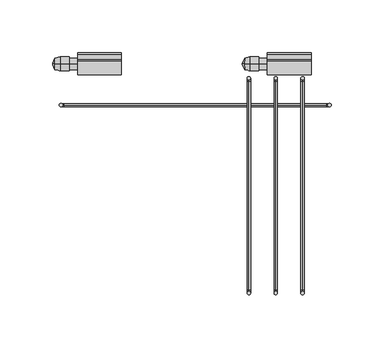
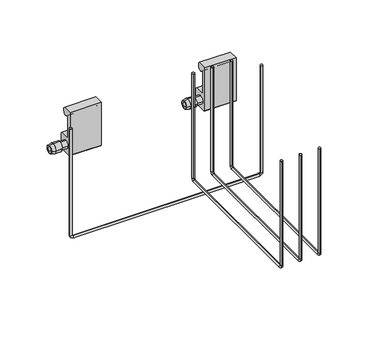
"""IFC4 building model written with IfcOpenShell, lengths in millimetres: furniture geometry."""

from ifc_helpers import new_model, si_unit, point, frame, origin, place, context, project, spatial, polyline, circle_curve, ellipse_curve, trimmed, source, transform, mapped, element, save
from ifc_brep_helpers import plane_surface, cylinder_surface, revolved_surface, advanced_brep


def furniture_f33feaf7(model_context):
    return source(origin(), model_context, "Body", "AdvancedBrep", [
        advanced_brep(
        [(128.5875, 34.9976276, 1207.8866133), (125.4125, 34.9976276, 1207.8866133), (-128.5875, 34.9976276, 1207.8866133), (-125.4125, 34.9976276, 1207.8866133), (128.5875, 34.9976276, 1057.8937167), (125.4125, 34.9976276, 1057.8937167), (123.825, 34.9976276, 1056.3062167), (123.825, 34.9976276, 1053.1312167), (-123.825, 34.9976276, 1053.1312167), (-123.825, 34.9976276, 1056.3062167), (-125.4125, 34.9976276, 1057.8937167), (-128.5875, 34.9976276, 1057.8937167)],
        [
            (0, 1, circle_curve(frame((127.0, 34.9976276, 1207.8866133), z_axis=(0.0, 0.0, 1.0), x_axis=(0.0, 1.0, 0.0)), 1.5875)),
            (1, 0, circle_curve(frame((127.0, 34.9976276, 1207.8866133), z_axis=(0.0, 0.0, 1.0), x_axis=(0.0, 1.0, 0.0)), 1.5875)),
            (2, 3, circle_curve(frame((-127.0, 34.9976276, 1207.8866133), z_axis=(0.0, 0.0, 1.0), x_axis=(0.0, 1.0, 0.0)), 1.5875)),
            (3, 2, circle_curve(frame((-127.0, 34.9976276, 1207.8866133), z_axis=(0.0, 0.0, 1.0), x_axis=(0.0, 1.0, 0.0)), 1.5875)),
            (0, 4),
            (4, 5, circle_curve(frame((127.0, 34.9976276, 1057.8937167), z_axis=(0.0, 0.0, 1.0), x_axis=(0.0, 1.0, 0.0)), 1.5875)),
            (5, 1),
            (5, 4, circle_curve(frame((127.0, 34.9976276, 1057.8937167), z_axis=(0.0, 0.0, 1.0), x_axis=(0.0, 1.0, 0.0)), 1.5875)),
            (6, 7, circle_curve(frame((123.825, 34.9976276, 1054.7187167), z_axis=(-1.0, 0.0, 0.0), x_axis=(0.0, 1.0, 0.0)), 1.5875)),
            (7, 8),
            (8, 9, circle_curve(frame((-123.825, 34.9976276, 1054.7187167), z_axis=(1.0, 0.0, 0.0), x_axis=(0.0, 1.0, 0.0)), 1.5875)),
            (9, 6),
            (7, 6, circle_curve(frame((123.825, 34.9976276, 1054.7187167), z_axis=(-1.0, 0.0, 0.0), x_axis=(0.0, 1.0, 0.0)), 1.5875)),
            (9, 8, circle_curve(frame((-123.825, 34.9976276, 1054.7187167), z_axis=(1.0, 0.0, 0.0), x_axis=(0.0, 1.0, 0.0)), 1.5875)),
            (10, 11, circle_curve(frame((-127.0, 34.9976276, 1057.8937167), z_axis=(0.0, 0.0, 1.0), x_axis=(0.0, 1.0, 0.0)), 1.5875)),
            (11, 2),
            (3, 10),
            (11, 10, circle_curve(frame((-127.0, 34.9976276, 1057.8937167), z_axis=(0.0, 0.0, 1.0), x_axis=(0.0, 1.0, 0.0)), 1.5875)),
            (6, 5, circle_curve(frame((123.825, 34.9976276, 1057.8937167), z_axis=(0.0, -1.0, 0.0), x_axis=(1.0, 0.0, 0.0)), 1.5875)),
            (4, 7, circle_curve(frame((123.825, 34.9976276, 1057.8937167), z_axis=(0.0, 1.0, 0.0), x_axis=(1.0, 0.0, 0.0)), 4.7625)),
            (10, 9, circle_curve(frame((-123.825, 34.9976276, 1057.8937167), z_axis=(0.0, -1.0, 0.0), x_axis=(0.0, 0.0, -1.0)), 1.5875)),
            (8, 11, circle_curve(frame((-123.825, 34.9976276, 1057.8937167), z_axis=(0.0, 1.0, 0.0), x_axis=(0.0, 0.0, -1.0)), 4.7625)),
        ],
        [
            plane_surface(frame((128.5875, 34.9976276, 1207.8866133), z_axis=(0.0, 0.0, 1.0), x_axis=(0.0, 1.0, 0.0))),
            plane_surface(frame((-128.5875, 34.9976276, 1207.8866133), z_axis=(0.0, 0.0, 1.0), x_axis=(0.0, 1.0, 0.0))),
            cylinder_surface(frame((127.0, 34.9976276, 1207.8866133), z_axis=(0.0, 0.0, 1.0), x_axis=(0.0, 1.0, 0.0)), 1.5875),
            cylinder_surface(frame((123.825, 34.9976276, 1054.7187167), z_axis=(1.0, 0.0, 0.0), x_axis=(0.0, 1.0, 0.0)), 1.5875),
            cylinder_surface(frame((-127.0, 34.9976276, 1057.8937167), z_axis=(0.0, 0.0, -1.0), x_axis=(0.0, 1.0, 0.0)), 1.5875),
            revolved_surface(trimmed(ellipse_curve(frame((127.0, 34.9976276, 1057.8937167), z_axis=(0.0, 0.0, 1.0), x_axis=(0.0, 1.0, 0.0)), 1.5875, 1.5875), [point((128.5875, 34.9976276, 1057.8937167))], [point((125.4125, 34.9976276, 1057.8937167))], True, "CARTESIAN"), (123.825, 34.9976276, 1057.8937167), (0.0, 1.0, 0.0)),
            revolved_surface(trimmed(ellipse_curve(frame((127.0, 34.9976276, 1057.8937167), z_axis=(0.0, 0.0, 1.0), x_axis=(0.0, 1.0, 0.0)), 1.5875, 1.5875), [point((125.4125, 34.9976276, 1057.8937167))], [point((128.5875, 34.9976276, 1057.8937167))], True, "CARTESIAN"), (123.825, 34.9976276, 1057.8937167), (0.0, 1.0, 0.0)),
            revolved_surface(trimmed(ellipse_curve(frame((-123.825, 34.9976276, 1054.7187167), z_axis=(1.0, 0.0, 0.0), x_axis=(0.0, 1.0, 0.0)), 1.5875, 1.5875), [point((-123.825, 34.9976276, 1053.1312167))], [point((-123.825, 34.9976276, 1056.3062167))], True, "CARTESIAN"), (-123.825, 34.9976276, 1057.8937167), (0.0, 1.0, 0.0)),
            revolved_surface(trimmed(ellipse_curve(frame((-123.825, 34.9976276, 1054.7187167), z_axis=(1.0, 0.0, 0.0), x_axis=(0.0, 1.0, 0.0)), 1.5875, 1.5875), [point((-123.825, 34.9976276, 1056.3062167))], [point((-123.825, 34.9976276, 1053.1312167))], True, "CARTESIAN"), (-123.825, 34.9976276, 1057.8937167), (0.0, 1.0, 0.0)),
        ],
        [
            (0, [[1, 2]]),
            (1, [[3, 4]]),
            (2, [[-1, 5, 6, 7]]),
            (2, [[-2, -7, 8, -5]]),
            (3, [[9, 10, 11, 12]]),
            (3, [[13, -12, 14, -10]]),
            (4, [[15, 16, -4, 17]]),
            (4, [[18, -17, -3, -16]]),
            (5, [[19, -6, 20, -9]]),
            (6, [[-20, -8, -19, -13]]),
            (7, [[21, -11, 22, -15]]),
            (8, [[-22, -14, -21, -18]]),
        ],
    ),
        advanced_brep(
        [(46.6372177, 68.7415276, 1156.4636635), (46.6372177, 74.1009276, 1161.8230635), (46.6372177, 79.4603276, 1156.4636635), (46.6372177, 74.1009276, 1151.1042635), (51.4497374, 67.5731276, 1156.4636635), (51.4497374, 74.1009276, 1149.9358635), (51.4497374, 80.6287276, 1156.4636635), (51.4497374, 74.1009276, 1162.9914635)],
        [
            (0, 1, circle_curve(frame((46.6372177, 74.1009276, 1156.4636635), z_axis=(-1.0, 0.0, 2.7282514933681294e-12), x_axis=(0.0, -1.0, 7.1826602636639224e-12)), 5.3594)),
            (1, 2, circle_curve(frame((46.6372177, 74.1009276, 1156.4636635), z_axis=(-1.0, -2.740556751392341e-12, 0.0), x_axis=(0.0, -7.421599566788139e-12, 1.0)), 5.3594)),
            (2, 3, circle_curve(frame((46.6372177, 74.1009276, 1156.4636635), z_axis=(-1.0, 0.0, 1.6594519392651508e-12), x_axis=(0.0, 1.0, 2.0852884636433977e-12)), 5.3594)),
            (3, 0, circle_curve(frame((46.6372177, 74.1009276, 1156.4636635), z_axis=(-1.0, -1.64538878723748e-12, 0.0), x_axis=(0.0, -6.7409845821117245e-12, -1.0)), 5.3594)),
            (4, 5, circle_curve(frame((51.4497374, 74.1009276, 1156.4636635), z_axis=(1.0, 1.64538878723748e-12, 0.0), x_axis=(0.0, -6.7409845821117245e-12, -1.0)), 6.5278)),
            (5, 6, circle_curve(frame((51.4497374, 74.1009276, 1156.4636635), z_axis=(1.0, 0.0, -1.6594519392651508e-12), x_axis=(0.0, 1.0, 2.0852884636433977e-12)), 6.5278)),
            (6, 7, circle_curve(frame((51.4497374, 74.1009276, 1156.4636635), z_axis=(1.0, 2.740556751392341e-12, 0.0), x_axis=(0.0, -7.421599566788139e-12, 1.0)), 6.5278)),
            (7, 4, circle_curve(frame((51.4497374, 74.1009276, 1156.4636635), z_axis=(1.0, 0.0, -2.7282514933681294e-12), x_axis=(0.0, -1.0, 7.1826602636639224e-12)), 6.5278)),
            (4, 0),
            (3, 5),
            (2, 6),
            (1, 7),
        ],
        [
            plane_surface(frame((46.6372177, 74.1009276, 1156.4636635), z_axis=(-1.0, 0.0, 0.0), x_axis=(0.0, 0.0, -1.0))),
            plane_surface(frame((51.4497374, 74.1009276, 1156.4636635), z_axis=(1.0, 0.0, 0.0), x_axis=(0.0, 0.0, -1.0))),
            revolved_surface(polyline([(46.63721769999118, 74.1009276, 1151.1042635097324), (51.4497374, 74.1009276, 1149.9358635)]), (24.5623993, 74.1009276, 1156.4636635), (1.0, 1.64538878723748e-12, 0.0)),
            revolved_surface(polyline([(46.6372177, 79.46032759026977, 1156.4636635), (51.449737400010825, 80.62872760000263, 1156.4636635)]), (24.5623993, 74.1009276, 1156.4636635), (1.0, 0.0, -1.6594519392651508e-12)),
            revolved_surface(polyline([(46.6372177, 74.1009276, 1161.8230634902698), (51.44973740001789, 74.1009276, 1162.9914635000043)]), (24.5623993, 74.1009276, 1156.4636635), (1.0, 2.740556751392341e-12, 0.0)),
            revolved_surface(polyline([(46.63721769998538, 68.74152760973378, 1156.4636635), (51.4497374, 67.5731276, 1156.4636635)]), (24.5623993, 74.1009276, 1156.4636635), (1.0, 0.0, -2.7282514933681294e-12)),
        ],
        [
            (0, [[1, 2, 3, 4]]),
            (1, [[5, 6, 7, 8]]),
            (2, [[-5, 9, -4, 10]]),
            (3, [[-6, -10, -3, 11]]),
            (4, [[-7, -11, -2, 12]]),
            (5, [[-8, -12, -1, -9]]),
        ],
    ),
        advanced_brep(
        [(68.2624822, 84.5022276, 1146.7693582), (68.2624822, 82.9274288, 1145.19456), (68.2624822, 65.2744269, 1145.19456), (68.2624822, 63.6996276, 1146.7693582), (68.2624822, 63.6996276, 1207.04356), (68.2624822, 76.3932776, 1207.04356), (68.2624822, 77.9680776, 1205.4687595), (68.2624822, 77.9680776, 1200.7189601), (68.2624822, 70.700146, 1198.5339941), (68.2624822, 69.2558778, 1198.0998022), (68.2624822, 69.2558778, 1168.3653919), (68.2624822, 69.8511903, 1167.7700794), (68.2624822, 82.9274276, 1167.7700794), (68.2624822, 84.5022276, 1166.19528), (68.2624822, 68.7415276, 1156.4636635), (68.2624822, 74.1009276, 1151.1042635), (68.2624822, 79.4603276, 1156.4636635), (68.2624822, 74.1009276, 1161.8230635), (109.5374822, 84.5022276, 1146.7693582), (109.5374822, 84.5022276, 1166.19528), (109.5374822, 82.9274276, 1167.7700794), (109.5374822, 69.8511903, 1167.7700794), (109.5374822, 69.2558778, 1168.3653919), (109.5374822, 69.2558778, 1198.0998022), (109.5374822, 70.700146, 1198.5339941), (109.5374822, 77.9680776, 1200.7189601), (109.5374822, 77.9680776, 1205.4687595), (109.5374822, 76.3932776, 1207.04356), (109.5374822, 63.6996276, 1207.04356), (109.5374822, 63.6996276, 1146.7693582), (109.5374822, 65.2744269, 1145.19456), (109.5374822, 82.9274288, 1145.19456), (60.2002207, 68.7415276, 1156.4636635), (60.2002207, 74.1009276, 1151.1042635), (60.2002207, 79.4603276, 1156.4636635), (60.2002207, 74.1009276, 1161.8230635), (60.2002207, 67.5731276, 1156.4636635), (60.2002207, 74.1009276, 1149.9358635), (60.2002207, 80.6287276, 1156.4636635), (60.2002207, 74.1009276, 1162.9914635), (51.4497374, 67.5731276, 1156.4636635), (51.4497374, 74.1009276, 1162.9914635), (51.4497374, 80.6287276, 1156.4636635), (51.4497374, 74.1009276, 1149.9358635)],
        [
            (0, 1),
            (1, 2),
            (2, 3),
            (3, 4),
            (4, 5),
            (5, 6),
            (6, 7),
            (7, 8, circle_curve(frame((68.2624822, 74.0056775, 1200.7189601), z_axis=(-1.0, 0.0, 0.0), x_axis=(0.0, 1.0, 0.0)), 3.9624001)),
            (8, 9),
            (9, 10),
            (10, 11),
            (11, 12),
            (12, 13),
            (13, 0),
            (14, 15, circle_curve(frame((68.2624822, 74.1009276, 1156.4636635), z_axis=(1.0, 0.0, 0.0), x_axis=(0.0, 1.0, 0.0)), 5.3594)),
            (15, 16, circle_curve(frame((68.2624822, 74.1009276, 1156.4636635), z_axis=(1.0, 0.0, 0.0), x_axis=(0.0, 1.0, 0.0)), 5.3594)),
            (16, 17, circle_curve(frame((68.2624822, 74.1009276, 1156.4636635), z_axis=(1.0, 0.0, 0.0), x_axis=(0.0, 1.0, 0.0)), 5.3594)),
            (17, 14, circle_curve(frame((68.2624822, 74.1009276, 1156.4636635), z_axis=(1.0, 0.0, 0.0), x_axis=(0.0, 1.0, 0.0)), 5.3594)),
            (18, 19),
            (19, 20),
            (20, 21),
            (21, 22),
            (22, 23),
            (23, 24),
            (24, 25, circle_curve(frame((109.5374822, 74.0056775, 1200.7189601), z_axis=(1.0, 0.0, 0.0), x_axis=(0.0, 1.0, 0.0)), 3.9624001)),
            (25, 26),
            (26, 27),
            (27, 28),
            (28, 29),
            (29, 30),
            (30, 31),
            (31, 18),
            (0, 18),
            (31, 1),
            (30, 2),
            (29, 3),
            (28, 4),
            (27, 5),
            (26, 6),
            (25, 7),
            (24, 8),
            (23, 9),
            (22, 10),
            (21, 11),
            (20, 12),
            (19, 13),
            (14, 32),
            (32, 33, circle_curve(frame((60.2002207, 74.1009276, 1156.4636635), z_axis=(1.0, 0.0, 0.0), x_axis=(0.0, 1.0, 0.0)), 5.3594)),
            (33, 15),
            (33, 34, circle_curve(frame((60.2002207, 74.1009276, 1156.4636635), z_axis=(1.0, 0.0, 0.0), x_axis=(0.0, 1.0, 0.0)), 5.3594)),
            (34, 16),
            (34, 35, circle_curve(frame((60.2002207, 74.1009276, 1156.4636635), z_axis=(1.0, 0.0, 0.0), x_axis=(0.0, 1.0, 0.0)), 5.3594)),
            (35, 17),
            (35, 32, circle_curve(frame((60.2002207, 74.1009276, 1156.4636635), z_axis=(1.0, 0.0, 0.0), x_axis=(0.0, 1.0, 0.0)), 5.3594)),
            (36, 37, circle_curve(frame((60.2002207, 74.1009276, 1156.4636635), z_axis=(1.0, 0.0, 0.0), x_axis=(0.0, 1.0, 0.0)), 6.5278)),
            (37, 38, circle_curve(frame((60.2002207, 74.1009276, 1156.4636635), z_axis=(1.0, 0.0, 0.0), x_axis=(0.0, 1.0, 0.0)), 6.5278)),
            (38, 39, circle_curve(frame((60.2002207, 74.1009276, 1156.4636635), z_axis=(1.0, 0.0, 0.0), x_axis=(0.0, 1.0, 0.0)), 6.5278)),
            (39, 36, circle_curve(frame((60.2002207, 74.1009276, 1156.4636635), z_axis=(1.0, 0.0, 0.0), x_axis=(0.0, 1.0, 0.0)), 6.5278)),
            (40, 41, circle_curve(frame((51.4497374, 74.1009276, 1156.4636635), z_axis=(-1.0, 0.0, 0.0), x_axis=(0.0, 1.0, 0.0)), 6.5278)),
            (41, 42, circle_curve(frame((51.4497374, 74.1009276, 1156.4636635), z_axis=(-1.0, 0.0, 0.0), x_axis=(0.0, 1.0, 0.0)), 6.5278)),
            (42, 43, circle_curve(frame((51.4497374, 74.1009276, 1156.4636635), z_axis=(-1.0, 0.0, 0.0), x_axis=(0.0, 1.0, 0.0)), 6.5278)),
            (43, 40, circle_curve(frame((51.4497374, 74.1009276, 1156.4636635), z_axis=(-1.0, 0.0, 0.0), x_axis=(0.0, 1.0, 0.0)), 6.5278)),
            (36, 40),
            (43, 37),
            (42, 38),
            (41, 39),
        ],
        [
            plane_surface(frame((68.2624822, 74.1009276, 1207.04356), z_axis=(-1.0, 0.0, 0.0), x_axis=(0.0, 0.0, 1.0))),
            plane_surface(frame((109.5374822, 74.1009276, 1207.04356), z_axis=(1.0, 0.0, 0.0), x_axis=(0.0, 0.0, 1.0))),
            plane_surface(frame((68.2624822, 84.5022276, 1146.7693582), z_axis=(0.0, 0.7071066537262837, -0.7071069086467884), x_axis=(1.0, 0.0, 0.0))),
            plane_surface(frame((68.2624822, 82.9274288, 1145.19456), z_axis=(0.0, 0.0, -1.0), x_axis=(1.0, 0.0, 0.0))),
            plane_surface(frame((68.2624822, 65.2744269, 1145.19456), z_axis=(0.0, -0.7071065262660429, -0.7071070361069604), x_axis=(1.0, 0.0, 0.0))),
            plane_surface(frame((68.2624822, 63.6996276, 1146.7693582), z_axis=(0.0, -1.0, 0.0), x_axis=(1.0, 0.0, 0.0))),
            plane_surface(frame((68.2624822, 63.6996276, 1207.04356), z_axis=(0.0, 0.0, 1.0), x_axis=(1.0, 0.0, 0.0))),
            plane_surface(frame((68.2624822, 76.3932776, 1207.04356), z_axis=(0.0, 0.7071069046636025, 0.707106657709471), x_axis=(1.0, 0.0, 0.0))),
            plane_surface(frame((68.2624822, 77.9680776, 1205.4687595), z_axis=(0.0, 1.0, 0.0), x_axis=(1.0, 0.0, 0.0))),
            cylinder_surface(frame((68.2624822, 74.0056775, 1200.7189601), z_axis=(-1.0, 0.0, 0.0), x_axis=(0.0, 1.0, 0.0)), 3.9624001),
            plane_surface(frame((68.2624822, 70.700146, 1198.5339941), z_axis=(0.0, 0.2879022867565173, -0.9576597899464967), x_axis=(1.0, 0.0, 0.0))),
            plane_surface(frame((68.2624822, 69.2558778, 1198.0998022), z_axis=(0.0, 1.0, 0.0), x_axis=(1.0, 0.0, 0.0))),
            plane_surface(frame((68.2624822, 69.2558778, 1168.3653919), z_axis=(0.0, 0.7071067811865476, 0.7071067811865476), x_axis=(1.0, 0.0, 0.0))),
            plane_surface(frame((68.2624822, 69.8511903, 1167.7700794), z_axis=(0.0, 0.0, 1.0), x_axis=(1.0, 0.0, 0.0))),
            plane_surface(frame((68.2624822, 82.9274276, 1167.7700794), z_axis=(0.0, 0.7071066537262837, 0.7071069086467885), x_axis=(1.0, 0.0, 0.0))),
            plane_surface(frame((68.2624822, 84.5022276, 1166.19528), z_axis=(0.0, 1.0, 0.0), x_axis=(1.0, 0.0, 0.0))),
            cylinder_surface(frame((60.2002207, 74.1009276, 1156.4636635), z_axis=(1.0, 0.0, 0.0), x_axis=(0.0, 1.0, 0.0)), 5.3594),
            plane_surface(frame((60.2002207, 80.6287276, 1156.4636635), z_axis=(1.0, 0.0, 0.0), x_axis=(0.0, 0.0, 1.0))),
            plane_surface(frame((51.4497374, 80.6287276, 1156.4636635), z_axis=(-1.0, 0.0, 0.0), x_axis=(0.0, 0.0, -1.0))),
            cylinder_surface(frame((51.4497374, 74.1009276, 1156.4636635), z_axis=(1.0, 0.0, 0.0), x_axis=(0.0, 1.0, 0.0)), 6.5278),
        ],
        [
            (0, [[1, 2, 3, 4, 5, 6, 7, 8, 9, 10, 11, 12, 13, 14], [15, 16, 17, 18]]),
            (1, [[19, 20, 21, 22, 23, 24, 25, 26, 27, 28, 29, 30, 31, 32]]),
            (2, [[-1, 33, -32, 34]]),
            (3, [[-2, -34, -31, 35]]),
            (4, [[-3, -35, -30, 36]]),
            (5, [[-4, -36, -29, 37]]),
            (6, [[-5, -37, -28, 38]]),
            (7, [[-6, -38, -27, 39]]),
            (8, [[-7, -39, -26, 40]]),
            (9, [[-8, -40, -25, 41]]),
            (10, [[-9, -41, -24, 42]]),
            (11, [[-10, -42, -23, 43]]),
            (12, [[-11, -43, -22, 44]]),
            (13, [[-12, -44, -21, 45]]),
            (14, [[-13, -45, -20, 46]]),
            (15, [[-14, -46, -19, -33]]),
            (16, [[47, 48, 49, -15]]),
            (16, [[-49, 50, 51, -16]]),
            (16, [[-51, 52, 53, -17]]),
            (16, [[-47, -18, -53, 54]]),
            (17, [[55, 56, 57, 58], [-48, -54, -52, -50]]),
            (18, [[59, 60, 61, 62]]),
            (19, [[-55, 63, -62, 64]]),
            (19, [[-56, -64, -61, 65]]),
            (19, [[-57, -65, -60, 66]]),
            (19, [[-58, -66, -59, -63]]),
        ],
    ),
        advanced_brep(
        [(44.6438074, 73.3071776, 1156.4636635), (44.6438074, 74.1009276, 1157.2574135), (44.6438074, 74.8946776, 1156.4636635), (44.6438074, 74.1009276, 1155.6699135), (46.6372177, 68.7415276, 1156.4636635), (46.6372177, 74.1009276, 1151.1042635), (46.6372177, 79.4603276, 1156.4636635), (46.6372177, 74.1009276, 1161.8230635)],
        [
            (0, 1, circle_curve(frame((44.6438074, 74.1009276, 1156.4636635), z_axis=(-1.0, 0.0, 0.0), x_axis=(0.0, -1.0, 0.0)), 0.79375)),
            (1, 2, circle_curve(frame((44.6438074, 74.1009276, 1156.4636635), z_axis=(-1.0, 0.0, 0.0), x_axis=(0.0, 0.0, 1.0)), 0.79375)),
            (2, 3, circle_curve(frame((44.6438074, 74.1009276, 1156.4636635), z_axis=(-1.0, 0.0, 3.802563827674344e-12), x_axis=(0.0, 1.0, 0.0)), 0.79375)),
            (3, 0, circle_curve(frame((44.6438074, 74.1009276, 1156.4636635), z_axis=(-1.0, -3.861978887481755e-12, 0.0), x_axis=(0.0, -1.6880331161624641e-12, -1.0)), 0.79375)),
            (4, 5, circle_curve(frame((46.6372177, 74.1009276, 1156.4636635), z_axis=(1.0, 3.861978887481755e-12, 0.0), x_axis=(0.0, -1.6880331161624641e-12, -1.0)), 5.3594)),
            (5, 6, circle_curve(frame((46.6372177, 74.1009276, 1156.4636635), z_axis=(1.0, 0.0, -3.802563827674344e-12), x_axis=(0.0, 1.0, 0.0)), 5.3594)),
            (6, 7, circle_curve(frame((46.6372177, 74.1009276, 1156.4636635), z_axis=(1.0, 0.0, 0.0), x_axis=(0.0, 0.0, 1.0)), 5.3594)),
            (7, 4, circle_curve(frame((46.6372177, 74.1009276, 1156.4636635), z_axis=(1.0, 0.0, 0.0), x_axis=(0.0, -1.0, 0.0)), 5.3594)),
            (0, 4),
            (7, 1),
            (6, 2),
            (5, 3),
        ],
        [
            plane_surface(frame((44.6438074, 74.1009276, 1156.4636635), z_axis=(-1.0, 0.0, 0.0), x_axis=(0.0, -1.0, 0.0))),
            plane_surface(frame((46.6372177, 74.1009276, 1156.4636635), z_axis=(1.0, 0.0, 0.0), x_axis=(0.0, -1.0, 0.0))),
            revolved_surface(polyline([(44.6438074, 73.30717761899598, 1156.4636635), (46.6372177, 68.7415276, 1156.4636635)]), (44.2972479, 74.1009276, 1156.4636635), (1.0, 0.0, 0.0)),
            revolved_surface(polyline([(44.6438074, 74.1009276, 1157.257413481004), (46.6372177, 74.1009276, 1161.8230635)]), (44.2972479, 74.1009276, 1156.4636635), (1.0, 0.0, 0.0)),
            revolved_surface(polyline([(44.6438074, 74.89467758100403, 1156.4636635), (46.63721770002038, 79.46032760004668, 1156.4636635)]), (44.2972479, 74.1009276, 1156.4636635), (1.0, 0.0, -3.802563827674344e-12)),
            revolved_surface(polyline([(44.64380739999694, 74.1009276, 1155.6699135190029), (46.6372177, 74.1009276, 1151.1042635)]), (44.2972479, 74.1009276, 1156.4636635), (1.0, 3.861978887481755e-12, 0.0)),
        ],
        [
            (0, [[1, 2, 3, 4]]),
            (1, [[5, 6, 7, 8]]),
            (2, [[-1, 9, -8, 10]]),
            (3, [[-2, -10, -7, 11]]),
            (4, [[-3, -11, -6, 12]]),
            (5, [[-4, -12, -5, -9]]),
        ],
    ),
        advanced_brep(
        [(-132.7502792, 68.7415276, 1156.4636635), (-132.7502792, 74.1009276, 1161.8230635), (-132.7502792, 79.4603276, 1156.4636635), (-132.7502792, 74.1009276, 1151.1042635), (-127.9377596, 67.5731276, 1156.4636635), (-127.9377596, 74.1009276, 1149.9358635), (-127.9377596, 80.6287276, 1156.4636635), (-127.9377596, 74.1009276, 1162.9914635)],
        [
            (0, 1, circle_curve(frame((-132.7502792, 74.1009276, 1156.4636635), z_axis=(-1.0, 0.0, 2.7282514933681294e-12), x_axis=(0.0, -1.0, 7.1826602636639224e-12)), 5.3594)),
            (1, 2, circle_curve(frame((-132.7502792, 74.1009276, 1156.4636635), z_axis=(-1.0, -2.740556751392341e-12, 0.0), x_axis=(0.0, -7.421599566788139e-12, 1.0)), 5.3594)),
            (2, 3, circle_curve(frame((-132.7502792, 74.1009276, 1156.4636635), z_axis=(-1.0, 0.0, 1.6594519392651508e-12), x_axis=(0.0, 1.0, 2.0852884636433977e-12)), 5.3594)),
            (3, 0, circle_curve(frame((-132.7502792, 74.1009276, 1156.4636635), z_axis=(-1.0, -1.64538878723748e-12, 0.0), x_axis=(0.0, -6.7409845821117245e-12, -1.0)), 5.3594)),
            (4, 5, circle_curve(frame((-127.9377596, 74.1009276, 1156.4636635), z_axis=(1.0, 1.64538878723748e-12, 0.0), x_axis=(0.0, -6.7409845821117245e-12, -1.0)), 6.5278)),
            (5, 6, circle_curve(frame((-127.9377596, 74.1009276, 1156.4636635), z_axis=(1.0, 0.0, -1.6594519392651508e-12), x_axis=(0.0, 1.0, 2.0852884636433977e-12)), 6.5278)),
            (6, 7, circle_curve(frame((-127.9377596, 74.1009276, 1156.4636635), z_axis=(1.0, 2.740556751392341e-12, 0.0), x_axis=(0.0, -7.421599566788139e-12, 1.0)), 6.5278)),
            (7, 4, circle_curve(frame((-127.9377596, 74.1009276, 1156.4636635), z_axis=(1.0, 0.0, -2.7282514933681294e-12), x_axis=(0.0, -1.0, 7.1826602636639224e-12)), 6.5278)),
            (4, 0),
            (3, 5),
            (2, 6),
            (1, 7),
        ],
        [
            plane_surface(frame((-132.7502792, 74.1009276, 1156.4636635), z_axis=(-1.0, 0.0, 0.0), x_axis=(0.0, 0.0, -1.0))),
            plane_surface(frame((-127.9377596, 74.1009276, 1156.4636635), z_axis=(1.0, 0.0, 0.0), x_axis=(0.0, 0.0, -1.0))),
            revolved_surface(polyline([(-132.7502792000088, 74.1009276, 1151.104263485454), (-127.9377596, 74.1009276, 1149.9358635)]), (-154.8250977, 74.1009276, 1156.4636635), (1.0, 1.64538878723748e-12, 0.0)),
            revolved_surface(polyline([(-132.7502792, 79.46032761454812, 1156.4636635), (-127.93775959998918, 80.62872760000263, 1156.4636635)]), (-154.8250977, 74.1009276, 1156.4636635), (1.0, 0.0, -1.6594519392651508e-12)),
            revolved_surface(polyline([(-132.7502792, 74.1009276, 1161.823063514548), (-127.93775959998212, 74.1009276, 1162.9914635000043)]), (-154.8250977, 74.1009276, 1156.4636635), (1.0, 2.740556751392341e-12, 0.0)),
            revolved_surface(polyline([(-132.75027920001463, 68.74152758545544, 1156.4636635), (-127.9377596, 67.5731276, 1156.4636635)]), (-154.8250977, 74.1009276, 1156.4636635), (1.0, 0.0, -2.7282514933681294e-12)),
        ],
        [
            (0, [[1, 2, 3, 4]]),
            (1, [[5, 6, 7, 8]]),
            (2, [[-5, 9, -4, 10]]),
            (3, [[-6, -10, -3, 11]]),
            (4, [[-7, -11, -2, 12]]),
            (5, [[-8, -12, -1, -9]]),
        ],
    ),
        advanced_brep(
        [(-111.1250148, 84.5022276, 1146.7693582), (-111.1250148, 82.9274288, 1145.19456), (-111.1250148, 65.2744269, 1145.19456), (-111.1250148, 63.6996276, 1146.7693582), (-111.1250148, 63.6996276, 1207.04356), (-111.1250148, 76.3932776, 1207.04356), (-111.1250148, 77.9680776, 1205.4687595), (-111.1250148, 77.9680776, 1200.7189601), (-111.1250148, 70.700146, 1198.5339941), (-111.1250148, 69.2558778, 1198.0998022), (-111.1250148, 69.2558778, 1168.3653919), (-111.1250148, 69.8511903, 1167.7700794), (-111.1250148, 82.9274276, 1167.7700794), (-111.1250148, 84.5022276, 1166.19528), (-111.1250148, 68.7415276, 1156.4636635), (-111.1250148, 74.1009276, 1151.1042635), (-111.1250148, 79.4603276, 1156.4636635), (-111.1250148, 74.1009276, 1161.8230635), (-69.8500148, 84.5022276, 1146.7693582), (-69.8500148, 84.5022276, 1166.19528), (-69.8500148, 82.9274276, 1167.7700794), (-69.8500148, 69.8511903, 1167.7700794), (-69.8500148, 69.2558778, 1168.3653919), (-69.8500148, 69.2558778, 1198.0998022), (-69.8500148, 70.700146, 1198.5339941), (-69.8500148, 77.9680776, 1200.7189601), (-69.8500148, 77.9680776, 1205.4687595), (-69.8500148, 76.3932776, 1207.04356), (-69.8500148, 63.6996276, 1207.04356), (-69.8500148, 63.6996276, 1146.7693582), (-69.8500148, 65.2744269, 1145.19456), (-69.8500148, 82.9274288, 1145.19456), (-119.1872763, 68.7415276, 1156.4636635), (-119.1872763, 74.1009276, 1151.1042635), (-119.1872763, 79.4603276, 1156.4636635), (-119.1872763, 74.1009276, 1161.8230635), (-119.1872763, 67.5731276, 1156.4636635), (-119.1872763, 74.1009276, 1149.9358635), (-119.1872763, 80.6287276, 1156.4636635), (-119.1872763, 74.1009276, 1162.9914635), (-127.9377596, 67.5731276, 1156.4636635), (-127.9377596, 74.1009276, 1162.9914635), (-127.9377596, 80.6287276, 1156.4636635), (-127.9377596, 74.1009276, 1149.9358635)],
        [
            (0, 1),
            (1, 2),
            (2, 3),
            (3, 4),
            (4, 5),
            (5, 6),
            (6, 7),
            (7, 8, circle_curve(frame((-111.1250148, 74.0056775, 1200.7189601), z_axis=(-1.0, 0.0, 0.0), x_axis=(0.0, 1.0, 0.0)), 3.9624001)),
            (8, 9),
            (9, 10),
            (10, 11),
            (11, 12),
            (12, 13),
            (13, 0),
            (14, 15, circle_curve(frame((-111.1250148, 74.1009276, 1156.4636635), z_axis=(1.0, 0.0, 0.0), x_axis=(0.0, 1.0, 0.0)), 5.3594)),
            (15, 16, circle_curve(frame((-111.1250148, 74.1009276, 1156.4636635), z_axis=(1.0, 0.0, 0.0), x_axis=(0.0, 1.0, 0.0)), 5.3594)),
            (16, 17, circle_curve(frame((-111.1250148, 74.1009276, 1156.4636635), z_axis=(1.0, 0.0, 0.0), x_axis=(0.0, 1.0, 0.0)), 5.3594)),
            (17, 14, circle_curve(frame((-111.1250148, 74.1009276, 1156.4636635), z_axis=(1.0, 0.0, 0.0), x_axis=(0.0, 1.0, 0.0)), 5.3594)),
            (18, 19),
            (19, 20),
            (20, 21),
            (21, 22),
            (22, 23),
            (23, 24),
            (24, 25, circle_curve(frame((-69.8500148, 74.0056775, 1200.7189601), z_axis=(1.0, 0.0, 0.0), x_axis=(0.0, 1.0, 0.0)), 3.9624001)),
            (25, 26),
            (26, 27),
            (27, 28),
            (28, 29),
            (29, 30),
            (30, 31),
            (31, 18),
            (0, 18),
            (31, 1),
            (30, 2),
            (29, 3),
            (28, 4),
            (27, 5),
            (26, 6),
            (25, 7),
            (24, 8),
            (23, 9),
            (22, 10),
            (21, 11),
            (20, 12),
            (19, 13),
            (14, 32),
            (32, 33, circle_curve(frame((-119.1872763, 74.1009276, 1156.4636635), z_axis=(1.0, 0.0, 0.0), x_axis=(0.0, 1.0, 0.0)), 5.3594)),
            (33, 15),
            (33, 34, circle_curve(frame((-119.1872763, 74.1009276, 1156.4636635), z_axis=(1.0, 0.0, 0.0), x_axis=(0.0, 1.0, 0.0)), 5.3594)),
            (34, 16),
            (34, 35, circle_curve(frame((-119.1872763, 74.1009276, 1156.4636635), z_axis=(1.0, 0.0, 0.0), x_axis=(0.0, 1.0, 0.0)), 5.3594)),
            (35, 17),
            (35, 32, circle_curve(frame((-119.1872763, 74.1009276, 1156.4636635), z_axis=(1.0, 0.0, 0.0), x_axis=(0.0, 1.0, 0.0)), 5.3594)),
            (36, 37, circle_curve(frame((-119.1872763, 74.1009276, 1156.4636635), z_axis=(1.0, 0.0, 0.0), x_axis=(0.0, 1.0, 0.0)), 6.5278)),
            (37, 38, circle_curve(frame((-119.1872763, 74.1009276, 1156.4636635), z_axis=(1.0, 0.0, 0.0), x_axis=(0.0, 1.0, 0.0)), 6.5278)),
            (38, 39, circle_curve(frame((-119.1872763, 74.1009276, 1156.4636635), z_axis=(1.0, 0.0, 0.0), x_axis=(0.0, 1.0, 0.0)), 6.5278)),
            (39, 36, circle_curve(frame((-119.1872763, 74.1009276, 1156.4636635), z_axis=(1.0, 0.0, 0.0), x_axis=(0.0, 1.0, 0.0)), 6.5278)),
            (40, 41, circle_curve(frame((-127.9377596, 74.1009276, 1156.4636635), z_axis=(-1.0, 0.0, 0.0), x_axis=(0.0, 1.0, 0.0)), 6.5278)),
            (41, 42, circle_curve(frame((-127.9377596, 74.1009276, 1156.4636635), z_axis=(-1.0, 0.0, 0.0), x_axis=(0.0, 1.0, 0.0)), 6.5278)),
            (42, 43, circle_curve(frame((-127.9377596, 74.1009276, 1156.4636635), z_axis=(-1.0, 0.0, 0.0), x_axis=(0.0, 1.0, 0.0)), 6.5278)),
            (43, 40, circle_curve(frame((-127.9377596, 74.1009276, 1156.4636635), z_axis=(-1.0, 0.0, 0.0), x_axis=(0.0, 1.0, 0.0)), 6.5278)),
            (36, 40),
            (43, 37),
            (42, 38),
            (41, 39),
        ],
        [
            plane_surface(frame((-111.1250148, 74.1009276, 1207.04356), z_axis=(-1.0, 0.0, 0.0), x_axis=(0.0, 0.0, 1.0))),
            plane_surface(frame((-69.8500148, 74.1009276, 1207.04356), z_axis=(1.0, 0.0, 0.0), x_axis=(0.0, 0.0, 1.0))),
            plane_surface(frame((-111.1250148, 84.5022276, 1146.7693582), z_axis=(0.0, 0.7071066537262837, -0.7071069086467884), x_axis=(1.0, 0.0, 0.0))),
            plane_surface(frame((-111.1250148, 82.9274288, 1145.19456), z_axis=(0.0, 0.0, -1.0), x_axis=(1.0, 0.0, 0.0))),
            plane_surface(frame((-111.1250148, 65.2744269, 1145.19456), z_axis=(0.0, -0.7071065262660429, -0.7071070361069604), x_axis=(1.0, 0.0, 0.0))),
            plane_surface(frame((-111.1250148, 63.6996276, 1146.7693582), z_axis=(0.0, -1.0, 0.0), x_axis=(1.0, 0.0, 0.0))),
            plane_surface(frame((-111.1250148, 63.6996276, 1207.04356), z_axis=(0.0, 0.0, 1.0), x_axis=(1.0, 0.0, 0.0))),
            plane_surface(frame((-111.1250148, 76.3932776, 1207.04356), z_axis=(0.0, 0.7071069046636025, 0.707106657709471), x_axis=(1.0, 0.0, 0.0))),
            plane_surface(frame((-111.1250148, 77.9680776, 1205.4687595), z_axis=(0.0, 1.0, 0.0), x_axis=(1.0, 0.0, 0.0))),
            cylinder_surface(frame((-111.1250148, 74.0056775, 1200.7189601), z_axis=(-1.0, 0.0, 0.0), x_axis=(0.0, 1.0, 0.0)), 3.9624001),
            plane_surface(frame((-111.1250148, 70.700146, 1198.5339941), z_axis=(0.0, 0.2879022867565173, -0.9576597899464967), x_axis=(1.0, 0.0, 0.0))),
            plane_surface(frame((-111.1250148, 69.2558778, 1198.0998022), z_axis=(0.0, 1.0, 0.0), x_axis=(1.0, 0.0, 0.0))),
            plane_surface(frame((-111.1250148, 69.2558778, 1168.3653919), z_axis=(0.0, 0.7071067811865476, 0.7071067811865476), x_axis=(1.0, 0.0, 0.0))),
            plane_surface(frame((-111.1250148, 69.8511903, 1167.7700794), z_axis=(0.0, 0.0, 1.0), x_axis=(1.0, 0.0, 0.0))),
            plane_surface(frame((-111.1250148, 82.9274276, 1167.7700794), z_axis=(0.0, 0.7071066537262837, 0.7071069086467885), x_axis=(1.0, 0.0, 0.0))),
            plane_surface(frame((-111.1250148, 84.5022276, 1166.19528), z_axis=(0.0, 1.0, 0.0), x_axis=(1.0, 0.0, 0.0))),
            cylinder_surface(frame((-119.1872763, 74.1009276, 1156.4636635), z_axis=(1.0, 0.0, 0.0), x_axis=(0.0, 1.0, 0.0)), 5.3594),
            plane_surface(frame((-119.1872763, 80.6287276, 1156.4636635), z_axis=(1.0, 0.0, 0.0), x_axis=(0.0, 0.0, 1.0))),
            plane_surface(frame((-127.9377596, 80.6287276, 1156.4636635), z_axis=(-1.0, 0.0, 0.0), x_axis=(0.0, 0.0, -1.0))),
            cylinder_surface(frame((-127.9377596, 74.1009276, 1156.4636635), z_axis=(1.0, 0.0, 0.0), x_axis=(0.0, 1.0, 0.0)), 6.5278),
        ],
        [
            (0, [[1, 2, 3, 4, 5, 6, 7, 8, 9, 10, 11, 12, 13, 14], [15, 16, 17, 18]]),
            (1, [[19, 20, 21, 22, 23, 24, 25, 26, 27, 28, 29, 30, 31, 32]]),
            (2, [[-1, 33, -32, 34]]),
            (3, [[-2, -34, -31, 35]]),
            (4, [[-3, -35, -30, 36]]),
            (5, [[-4, -36, -29, 37]]),
            (6, [[-5, -37, -28, 38]]),
            (7, [[-6, -38, -27, 39]]),
            (8, [[-7, -39, -26, 40]]),
            (9, [[-8, -40, -25, 41]]),
            (10, [[-9, -41, -24, 42]]),
            (11, [[-10, -42, -23, 43]]),
            (12, [[-11, -43, -22, 44]]),
            (13, [[-12, -44, -21, 45]]),
            (14, [[-13, -45, -20, 46]]),
            (15, [[-14, -46, -19, -33]]),
            (16, [[47, 48, 49, -15]]),
            (16, [[-49, 50, 51, -16]]),
            (16, [[-51, 52, 53, -17]]),
            (16, [[-47, -18, -53, 54]]),
            (17, [[55, 56, 57, 58], [-48, -54, -52, -50]]),
            (18, [[59, 60, 61, 62]]),
            (19, [[-55, 63, -62, 64]]),
            (19, [[-56, -64, -61, 65]]),
            (19, [[-57, -65, -60, 66]]),
            (19, [[-58, -66, -59, -63]]),
        ],
    ),
        advanced_brep(
        [(-134.7436895, 73.3071776, 1156.4636635), (-134.7436895, 74.1009276, 1157.2574135), (-134.7436895, 74.8946776, 1156.4636635), (-134.7436895, 74.1009276, 1155.6699135), (-132.7502792, 68.7415276, 1156.4636635), (-132.7502792, 74.1009276, 1151.1042635), (-132.7502792, 79.4603276, 1156.4636635), (-132.7502792, 74.1009276, 1161.8230635)],
        [
            (0, 1, circle_curve(frame((-134.7436895, 74.1009276, 1156.4636635), z_axis=(-1.0, 0.0, 0.0), x_axis=(0.0, -1.0, 0.0)), 0.79375)),
            (1, 2, circle_curve(frame((-134.7436895, 74.1009276, 1156.4636635), z_axis=(-1.0, 0.0, 0.0), x_axis=(0.0, 0.0, 1.0)), 0.79375)),
            (2, 3, circle_curve(frame((-134.7436895, 74.1009276, 1156.4636635), z_axis=(-1.0, 0.0, 3.802563827674344e-12), x_axis=(0.0, 1.0, 0.0)), 0.79375)),
            (3, 0, circle_curve(frame((-134.7436895, 74.1009276, 1156.4636635), z_axis=(-1.0, -3.861978887481755e-12, 0.0), x_axis=(0.0, -1.6880331161624641e-12, -1.0)), 0.79375)),
            (4, 5, circle_curve(frame((-132.7502792, 74.1009276, 1156.4636635), z_axis=(1.0, 3.861978887481755e-12, 0.0), x_axis=(0.0, -1.6880331161624641e-12, -1.0)), 5.3594)),
            (5, 6, circle_curve(frame((-132.7502792, 74.1009276, 1156.4636635), z_axis=(1.0, 0.0, -3.802563827674344e-12), x_axis=(0.0, 1.0, 0.0)), 5.3594)),
            (6, 7, circle_curve(frame((-132.7502792, 74.1009276, 1156.4636635), z_axis=(1.0, 0.0, 0.0), x_axis=(0.0, 0.0, 1.0)), 5.3594)),
            (7, 4, circle_curve(frame((-132.7502792, 74.1009276, 1156.4636635), z_axis=(1.0, 0.0, 0.0), x_axis=(0.0, -1.0, 0.0)), 5.3594)),
            (0, 4),
            (7, 1),
            (6, 2),
            (5, 3),
        ],
        [
            plane_surface(frame((-134.7436895, 74.1009276, 1156.4636635), z_axis=(-1.0, 0.0, 0.0), x_axis=(0.0, -1.0, 0.0))),
            plane_surface(frame((-132.7502792, 74.1009276, 1156.4636635), z_axis=(1.0, 0.0, 0.0), x_axis=(0.0, -1.0, 0.0))),
            revolved_surface(polyline([(-134.7436895, 73.30717761899595, 1156.4636635), (-132.7502792, 68.7415276, 1156.4636635)]), (-135.090249, 74.1009276, 1156.4636635), (1.0, 0.0, 0.0)),
            revolved_surface(polyline([(-134.7436895, 74.1009276, 1157.257413481004), (-132.7502792, 74.1009276, 1161.8230635)]), (-135.090249, 74.1009276, 1156.4636635), (1.0, 0.0, 0.0)),
            revolved_surface(polyline([(-134.7436895, 74.89467758100406, 1156.4636635), (-132.75027919997962, 79.46032760004668, 1156.4636635)]), (-135.090249, 74.1009276, 1156.4636635), (1.0, 0.0, -3.802563827674344e-12)),
            revolved_surface(polyline([(-134.74368950000306, 74.1009276, 1155.6699135190029), (-132.7502792, 74.1009276, 1151.1042635)]), (-135.090249, 74.1009276, 1156.4636635), (1.0, 3.861978887481755e-12, 0.0)),
        ],
        [
            (0, [[1, 2, 3, 4]]),
            (1, [[5, 6, 7, 8]]),
            (2, [[-1, 9, -8, 10]]),
            (3, [[-2, -10, -7, 11]]),
            (4, [[-3, -11, -6, 12]]),
            (5, [[-4, -12, -5, -9]]),
        ],
    ),
        advanced_brep(
        [(101.54412, -144.3898724, 1207.8866133), (101.54412, -141.2148724, 1207.8866133), (101.54412, 61.9851276, 1207.8866133), (101.54412, 58.8101276, 1207.8866133), (101.54412, -144.3898724, 1061.0687167), (101.54412, -141.2148724, 1061.0687167), (101.54412, -139.6273724, 1059.4812167), (101.54412, -139.6273724, 1056.3062167), (101.54412, 57.2226276, 1056.3062167), (101.54412, 57.2226276, 1059.4812167), (101.54412, 58.8101276, 1061.0687167), (101.54412, 61.9851276, 1061.0687167)],
        [
            (0, 1, circle_curve(frame((101.54412, -142.8023724, 1207.8866133), z_axis=(0.0, 0.0, 1.0), x_axis=(1.0, 0.0, 0.0)), 1.5875)),
            (1, 0, circle_curve(frame((101.54412, -142.8023724, 1207.8866133), z_axis=(0.0, 0.0, 1.0), x_axis=(1.0, 0.0, 0.0)), 1.5875)),
            (2, 3, circle_curve(frame((101.54412, 60.3976276, 1207.8866133), z_axis=(0.0, 0.0, 1.0), x_axis=(1.0, 0.0, 0.0)), 1.5875)),
            (3, 2, circle_curve(frame((101.54412, 60.3976276, 1207.8866133), z_axis=(0.0, 0.0, 1.0), x_axis=(1.0, 0.0, 0.0)), 1.5875)),
            (0, 4),
            (4, 5, circle_curve(frame((101.54412, -142.8023724, 1061.0687167), z_axis=(0.0, 0.0, 1.0), x_axis=(1.0, 0.0, 0.0)), 1.5875)),
            (5, 1),
            (5, 4, circle_curve(frame((101.54412, -142.8023724, 1061.0687167), z_axis=(0.0, 0.0, 1.0), x_axis=(1.0, 0.0, 0.0)), 1.5875)),
            (6, 7, circle_curve(frame((101.54412, -139.6273724, 1057.8937167), z_axis=(0.0, 1.0, 0.0), x_axis=(1.0, 0.0, 0.0)), 1.5875)),
            (7, 8),
            (8, 9, circle_curve(frame((101.54412, 57.2226276, 1057.8937167), z_axis=(0.0, -1.0, 0.0), x_axis=(1.0, 0.0, 0.0)), 1.5875)),
            (9, 6),
            (7, 6, circle_curve(frame((101.54412, -139.6273724, 1057.8937167), z_axis=(0.0, 1.0, 0.0), x_axis=(1.0, 0.0, 0.0)), 1.5875)),
            (9, 8, circle_curve(frame((101.54412, 57.2226276, 1057.8937167), z_axis=(0.0, -1.0, 0.0), x_axis=(1.0, 0.0, 0.0)), 1.5875)),
            (10, 11, circle_curve(frame((101.54412, 60.3976276, 1061.0687167), z_axis=(0.0, 0.0, 1.0), x_axis=(1.0, 0.0, 0.0)), 1.5875)),
            (11, 2),
            (3, 10),
            (11, 10, circle_curve(frame((101.54412, 60.3976276, 1061.0687167), z_axis=(0.0, 0.0, 1.0), x_axis=(1.0, 0.0, 0.0)), 1.5875)),
            (6, 5, circle_curve(frame((101.54412, -139.6273724, 1061.0687167), z_axis=(-1.0, 0.0, 0.0), x_axis=(0.0, -1.0, 0.0)), 1.5875)),
            (4, 7, circle_curve(frame((101.54412, -139.6273724, 1061.0687167), z_axis=(1.0, 0.0, 0.0), x_axis=(0.0, -1.0, 0.0)), 4.7625)),
            (10, 9, circle_curve(frame((101.54412, 57.2226276, 1061.0687167), z_axis=(-1.0, 0.0, 0.0), x_axis=(0.0, 0.0, -1.0)), 1.5875)),
            (8, 11, circle_curve(frame((101.54412, 57.2226276, 1061.0687167), z_axis=(1.0, 0.0, 0.0), x_axis=(0.0, 0.0, -1.0)), 4.7625)),
        ],
        [
            plane_surface(frame((101.54412, -144.3898724, 1207.8866133), z_axis=(0.0, 0.0, 1.0), x_axis=(1.0, 0.0, 0.0))),
            plane_surface(frame((101.54412, 61.9851276, 1207.8866133), z_axis=(0.0, 0.0, 1.0), x_axis=(1.0, 0.0, 0.0))),
            cylinder_surface(frame((101.54412, -142.8023724, 1207.8866133), z_axis=(0.0, 0.0, 1.0), x_axis=(1.0, 0.0, 0.0)), 1.5875),
            cylinder_surface(frame((101.54412, -139.6273724, 1057.8937167), z_axis=(0.0, -1.0, 0.0), x_axis=(1.0, 0.0, 0.0)), 1.5875),
            cylinder_surface(frame((101.54412, 60.3976276, 1061.0687167), z_axis=(0.0, 0.0, -1.0), x_axis=(1.0, 0.0, 0.0)), 1.5875),
            revolved_surface(trimmed(ellipse_curve(frame((101.54412, -142.8023724, 1061.0687167), z_axis=(0.0, 0.0, 1.0), x_axis=(1.0, 0.0, 0.0)), 1.5875, 1.5875), [point((101.54412, -144.3898724, 1061.0687167))], [point((101.54412, -141.2148724, 1061.0687167))], True, "CARTESIAN"), (101.54412, -139.6273724, 1061.0687167), (1.0, 0.0, 0.0)),
            revolved_surface(trimmed(ellipse_curve(frame((101.54412, -142.8023724, 1061.0687167), z_axis=(0.0, 0.0, 1.0), x_axis=(1.0, 0.0, 0.0)), 1.5875, 1.5875), [point((101.54412, -141.2148724, 1061.0687167))], [point((101.54412, -144.3898724, 1061.0687167))], True, "CARTESIAN"), (101.54412, -139.6273724, 1061.0687167), (1.0, 0.0, 0.0)),
            revolved_surface(trimmed(ellipse_curve(frame((101.54412, 57.2226276, 1057.8937167), z_axis=(0.0, -1.0, 0.0), x_axis=(1.0, 0.0, 0.0)), 1.5875, 1.5875), [point((101.54412, 57.2226276, 1056.3062167))], [point((101.54412, 57.2226276, 1059.4812167))], True, "CARTESIAN"), (101.54412, 57.2226276, 1061.0687167), (1.0, 0.0, 0.0)),
            revolved_surface(trimmed(ellipse_curve(frame((101.54412, 57.2226276, 1057.8937167), z_axis=(0.0, -1.0, 0.0), x_axis=(1.0, 0.0, 0.0)), 1.5875, 1.5875), [point((101.54412, 57.2226276, 1059.4812167))], [point((101.54412, 57.2226276, 1056.3062167))], True, "CARTESIAN"), (101.54412, 57.2226276, 1061.0687167), (1.0, 0.0, 0.0)),
        ],
        [
            (0, [[1, 2]]),
            (1, [[3, 4]]),
            (2, [[-1, 5, 6, 7]]),
            (2, [[-2, -7, 8, -5]]),
            (3, [[9, 10, 11, 12]]),
            (3, [[13, -12, 14, -10]]),
            (4, [[15, 16, -4, 17]]),
            (4, [[18, -17, -3, -16]]),
            (5, [[19, -6, 20, -9]]),
            (6, [[-20, -8, -19, -13]]),
            (7, [[21, -11, 22, -15]]),
            (8, [[-22, -14, -21, -18]]),
        ],
    ),
        advanced_brep(
        [(76.14412, -144.3898724, 1207.8866133), (76.14412, -141.2148724, 1207.8866133), (76.14412, 61.9851276, 1207.8866133), (76.14412, 58.8101276, 1207.8866133), (76.14412, -144.3898724, 1061.0687167), (76.14412, -141.2148724, 1061.0687167), (76.14412, -139.6273724, 1059.4812167), (76.14412, -139.6273724, 1056.3062167), (76.14412, 57.2226276, 1056.3062167), (76.14412, 57.2226276, 1059.4812167), (76.14412, 58.8101276, 1061.0687167), (76.14412, 61.9851276, 1061.0687167)],
        [
            (0, 1, circle_curve(frame((76.14412, -142.8023724, 1207.8866133), z_axis=(0.0, 0.0, 1.0), x_axis=(1.0, 0.0, 0.0)), 1.5875)),
            (1, 0, circle_curve(frame((76.14412, -142.8023724, 1207.8866133), z_axis=(0.0, 0.0, 1.0), x_axis=(1.0, 0.0, 0.0)), 1.5875)),
            (2, 3, circle_curve(frame((76.14412, 60.3976276, 1207.8866133), z_axis=(0.0, 0.0, 1.0), x_axis=(1.0, 0.0, 0.0)), 1.5875)),
            (3, 2, circle_curve(frame((76.14412, 60.3976276, 1207.8866133), z_axis=(0.0, 0.0, 1.0), x_axis=(1.0, 0.0, 0.0)), 1.5875)),
            (0, 4),
            (4, 5, circle_curve(frame((76.14412, -142.8023724, 1061.0687167), z_axis=(0.0, 0.0, 1.0), x_axis=(1.0, 0.0, 0.0)), 1.5875)),
            (5, 1),
            (5, 4, circle_curve(frame((76.14412, -142.8023724, 1061.0687167), z_axis=(0.0, 0.0, 1.0), x_axis=(1.0, 0.0, 0.0)), 1.5875)),
            (6, 7, circle_curve(frame((76.14412, -139.6273724, 1057.8937167), z_axis=(0.0, 1.0, 0.0), x_axis=(1.0, 0.0, 0.0)), 1.5875)),
            (7, 8),
            (8, 9, circle_curve(frame((76.14412, 57.2226276, 1057.8937167), z_axis=(0.0, -1.0, 0.0), x_axis=(1.0, 0.0, 0.0)), 1.5875)),
            (9, 6),
            (7, 6, circle_curve(frame((76.14412, -139.6273724, 1057.8937167), z_axis=(0.0, 1.0, 0.0), x_axis=(1.0, 0.0, 0.0)), 1.5875)),
            (9, 8, circle_curve(frame((76.14412, 57.2226276, 1057.8937167), z_axis=(0.0, -1.0, 0.0), x_axis=(1.0, 0.0, 0.0)), 1.5875)),
            (10, 11, circle_curve(frame((76.14412, 60.3976276, 1061.0687167), z_axis=(0.0, 0.0, 1.0), x_axis=(1.0, 0.0, 0.0)), 1.5875)),
            (11, 2),
            (3, 10),
            (11, 10, circle_curve(frame((76.14412, 60.3976276, 1061.0687167), z_axis=(0.0, 0.0, 1.0), x_axis=(1.0, 0.0, 0.0)), 1.5875)),
            (6, 5, circle_curve(frame((76.14412, -139.6273724, 1061.0687167), z_axis=(-1.0, 0.0, 0.0), x_axis=(0.0, -1.0, 0.0)), 1.5875)),
            (4, 7, circle_curve(frame((76.14412, -139.6273724, 1061.0687167), z_axis=(1.0, 0.0, 0.0), x_axis=(0.0, -1.0, 0.0)), 4.7625)),
            (10, 9, circle_curve(frame((76.14412, 57.2226276, 1061.0687167), z_axis=(-1.0, 0.0, 0.0), x_axis=(0.0, 0.0, -1.0)), 1.5875)),
            (8, 11, circle_curve(frame((76.14412, 57.2226276, 1061.0687167), z_axis=(1.0, 0.0, 0.0), x_axis=(0.0, 0.0, -1.0)), 4.7625)),
        ],
        [
            plane_surface(frame((76.14412, -144.3898724, 1207.8866133), z_axis=(0.0, 0.0, 1.0), x_axis=(1.0, 0.0, 0.0))),
            plane_surface(frame((76.14412, 61.9851276, 1207.8866133), z_axis=(0.0, 0.0, 1.0), x_axis=(1.0, 0.0, 0.0))),
            cylinder_surface(frame((76.14412, -142.8023724, 1207.8866133), z_axis=(0.0, 0.0, 1.0), x_axis=(1.0, 0.0, 0.0)), 1.5875),
            cylinder_surface(frame((76.14412, -139.6273724, 1057.8937167), z_axis=(0.0, -1.0, 0.0), x_axis=(1.0, 0.0, 0.0)), 1.5875),
            cylinder_surface(frame((76.14412, 60.3976276, 1061.0687167), z_axis=(0.0, 0.0, -1.0), x_axis=(1.0, 0.0, 0.0)), 1.5875),
            revolved_surface(trimmed(ellipse_curve(frame((76.14412, -142.8023724, 1061.0687167), z_axis=(0.0, 0.0, 1.0), x_axis=(1.0, 0.0, 0.0)), 1.5875, 1.5875), [point((76.14412, -144.3898724, 1061.0687167))], [point((76.14412, -141.2148724, 1061.0687167))], True, "CARTESIAN"), (76.14412, -139.6273724, 1061.0687167), (1.0, 0.0, 0.0)),
            revolved_surface(trimmed(ellipse_curve(frame((76.14412, -142.8023724, 1061.0687167), z_axis=(0.0, 0.0, 1.0), x_axis=(1.0, 0.0, 0.0)), 1.5875, 1.5875), [point((76.14412, -141.2148724, 1061.0687167))], [point((76.14412, -144.3898724, 1061.0687167))], True, "CARTESIAN"), (76.14412, -139.6273724, 1061.0687167), (1.0, 0.0, 0.0)),
            revolved_surface(trimmed(ellipse_curve(frame((76.14412, 57.2226276, 1057.8937167), z_axis=(0.0, -1.0, 0.0), x_axis=(1.0, 0.0, 0.0)), 1.5875, 1.5875), [point((76.14412, 57.2226276, 1056.3062167))], [point((76.14412, 57.2226276, 1059.4812167))], True, "CARTESIAN"), (76.14412, 57.2226276, 1061.0687167), (1.0, 0.0, 0.0)),
            revolved_surface(trimmed(ellipse_curve(frame((76.14412, 57.2226276, 1057.8937167), z_axis=(0.0, -1.0, 0.0), x_axis=(1.0, 0.0, 0.0)), 1.5875, 1.5875), [point((76.14412, 57.2226276, 1059.4812167))], [point((76.14412, 57.2226276, 1056.3062167))], True, "CARTESIAN"), (76.14412, 57.2226276, 1061.0687167), (1.0, 0.0, 0.0)),
        ],
        [
            (0, [[1, 2]]),
            (1, [[3, 4]]),
            (2, [[-1, 5, 6, 7]]),
            (2, [[-2, -7, 8, -5]]),
            (3, [[9, 10, 11, 12]]),
            (3, [[13, -12, 14, -10]]),
            (4, [[15, 16, -4, 17]]),
            (4, [[18, -17, -3, -16]]),
            (5, [[19, -6, 20, -9]]),
            (6, [[-20, -8, -19, -13]]),
            (7, [[21, -11, 22, -15]]),
            (8, [[-22, -14, -21, -18]]),
        ],
    ),
        advanced_brep(
        [(50.74412, -144.3898724, 1207.8866133), (50.74412, -141.2148724, 1207.8866133), (50.74412, 61.9851276, 1207.8866133), (50.74412, 58.8101276, 1207.8866133), (50.74412, -144.3898724, 1061.0687167), (50.74412, -141.2148724, 1061.0687167), (50.74412, -139.6273724, 1059.4812167), (50.74412, -139.6273724, 1056.3062167), (50.74412, 57.2226276, 1056.3062167), (50.74412, 57.2226276, 1059.4812167), (50.74412, 58.8101276, 1061.0687167), (50.74412, 61.9851276, 1061.0687167)],
        [
            (0, 1, circle_curve(frame((50.74412, -142.8023724, 1207.8866133), z_axis=(0.0, 0.0, 1.0), x_axis=(1.0, 0.0, 0.0)), 1.5875)),
            (1, 0, circle_curve(frame((50.74412, -142.8023724, 1207.8866133), z_axis=(0.0, 0.0, 1.0), x_axis=(1.0, 0.0, 0.0)), 1.5875)),
            (2, 3, circle_curve(frame((50.74412, 60.3976276, 1207.8866133), z_axis=(0.0, 0.0, 1.0), x_axis=(1.0, 0.0, 0.0)), 1.5875)),
            (3, 2, circle_curve(frame((50.74412, 60.3976276, 1207.8866133), z_axis=(0.0, 0.0, 1.0), x_axis=(1.0, 0.0, 0.0)), 1.5875)),
            (0, 4),
            (4, 5, circle_curve(frame((50.74412, -142.8023724, 1061.0687167), z_axis=(0.0, 0.0, 1.0), x_axis=(1.0, 0.0, 0.0)), 1.5875)),
            (5, 1),
            (5, 4, circle_curve(frame((50.74412, -142.8023724, 1061.0687167), z_axis=(0.0, 0.0, 1.0), x_axis=(1.0, 0.0, 0.0)), 1.5875)),
            (6, 7, circle_curve(frame((50.74412, -139.6273724, 1057.8937167), z_axis=(0.0, 1.0, 0.0), x_axis=(1.0, 0.0, 0.0)), 1.5875)),
            (7, 8),
            (8, 9, circle_curve(frame((50.74412, 57.2226276, 1057.8937167), z_axis=(0.0, -1.0, 0.0), x_axis=(1.0, 0.0, 0.0)), 1.5875)),
            (9, 6),
            (7, 6, circle_curve(frame((50.74412, -139.6273724, 1057.8937167), z_axis=(0.0, 1.0, 0.0), x_axis=(1.0, 0.0, 0.0)), 1.5875)),
            (9, 8, circle_curve(frame((50.74412, 57.2226276, 1057.8937167), z_axis=(0.0, -1.0, 0.0), x_axis=(1.0, 0.0, 0.0)), 1.5875)),
            (10, 11, circle_curve(frame((50.74412, 60.3976276, 1061.0687167), z_axis=(0.0, 0.0, 1.0), x_axis=(1.0, 0.0, 0.0)), 1.5875)),
            (11, 2),
            (3, 10),
            (11, 10, circle_curve(frame((50.74412, 60.3976276, 1061.0687167), z_axis=(0.0, 0.0, 1.0), x_axis=(1.0, 0.0, 0.0)), 1.5875)),
            (6, 5, circle_curve(frame((50.74412, -139.6273724, 1061.0687167), z_axis=(-1.0, 0.0, 0.0), x_axis=(0.0, -1.0, 0.0)), 1.5875)),
            (4, 7, circle_curve(frame((50.74412, -139.6273724, 1061.0687167), z_axis=(1.0, 0.0, 0.0), x_axis=(0.0, -1.0, 0.0)), 4.7625)),
            (10, 9, circle_curve(frame((50.74412, 57.2226276, 1061.0687167), z_axis=(-1.0, 0.0, 0.0), x_axis=(0.0, 0.0, -1.0)), 1.5875)),
            (8, 11, circle_curve(frame((50.74412, 57.2226276, 1061.0687167), z_axis=(1.0, 0.0, 0.0), x_axis=(0.0, 0.0, -1.0)), 4.7625)),
        ],
        [
            plane_surface(frame((50.74412, -144.3898724, 1207.8866133), z_axis=(0.0, 0.0, 1.0), x_axis=(1.0, 0.0, 0.0))),
            plane_surface(frame((50.74412, 61.9851276, 1207.8866133), z_axis=(0.0, 0.0, 1.0), x_axis=(1.0, 0.0, 0.0))),
            cylinder_surface(frame((50.74412, -142.8023724, 1207.8866133), z_axis=(0.0, 0.0, 1.0), x_axis=(1.0, 0.0, 0.0)), 1.5875),
            cylinder_surface(frame((50.74412, -139.6273724, 1057.8937167), z_axis=(0.0, -1.0, 0.0), x_axis=(1.0, 0.0, 0.0)), 1.5875),
            cylinder_surface(frame((50.74412, 60.3976276, 1061.0687167), z_axis=(0.0, 0.0, -1.0), x_axis=(1.0, 0.0, 0.0)), 1.5875),
            revolved_surface(trimmed(ellipse_curve(frame((50.74412, -142.8023724, 1061.0687167), z_axis=(0.0, 0.0, 1.0), x_axis=(1.0, 0.0, 0.0)), 1.5875, 1.5875), [point((50.74412, -144.3898724, 1061.0687167))], [point((50.74412, -141.2148724, 1061.0687167))], True, "CARTESIAN"), (50.74412, -139.6273724, 1061.0687167), (1.0, 0.0, 0.0)),
            revolved_surface(trimmed(ellipse_curve(frame((50.74412, -142.8023724, 1061.0687167), z_axis=(0.0, 0.0, 1.0), x_axis=(1.0, 0.0, 0.0)), 1.5875, 1.5875), [point((50.74412, -141.2148724, 1061.0687167))], [point((50.74412, -144.3898724, 1061.0687167))], True, "CARTESIAN"), (50.74412, -139.6273724, 1061.0687167), (1.0, 0.0, 0.0)),
            revolved_surface(trimmed(ellipse_curve(frame((50.74412, 57.2226276, 1057.8937167), z_axis=(0.0, -1.0, 0.0), x_axis=(1.0, 0.0, 0.0)), 1.5875, 1.5875), [point((50.74412, 57.2226276, 1056.3062167))], [point((50.74412, 57.2226276, 1059.4812167))], True, "CARTESIAN"), (50.74412, 57.2226276, 1061.0687167), (1.0, 0.0, 0.0)),
            revolved_surface(trimmed(ellipse_curve(frame((50.74412, 57.2226276, 1057.8937167), z_axis=(0.0, -1.0, 0.0), x_axis=(1.0, 0.0, 0.0)), 1.5875, 1.5875), [point((50.74412, 57.2226276, 1059.4812167))], [point((50.74412, 57.2226276, 1056.3062167))], True, "CARTESIAN"), (50.74412, 57.2226276, 1061.0687167), (1.0, 0.0, 0.0)),
        ],
        [
            (0, [[1, 2]]),
            (1, [[3, 4]]),
            (2, [[-1, 5, 6, 7]]),
            (2, [[-2, -7, 8, -5]]),
            (3, [[9, 10, 11, 12]]),
            (3, [[13, -12, 14, -10]]),
            (4, [[15, 16, -4, 17]]),
            (4, [[18, -17, -3, -16]]),
            (5, [[19, -6, 20, -9]]),
            (6, [[-20, -8, -19, -13]]),
            (7, [[21, -11, 22, -15]]),
            (8, [[-22, -14, -21, -18]]),
        ],
    ),
    ])


if __name__ == "__main__":
    model = new_model("IFC4")
    model_context = context("Model", 3, world=origin())
    ifc_project = project(units=[si_unit("LENGTHUNIT", "METRE", prefix="MILLI")], contexts=[model_context])
    site = spatial("IfcSite", under=ifc_project)
    building = spatial("IfcBuilding", under=site)
    placement = place(None, origin())
    furniture_shape = furniture_f33feaf7(model_context)
    element("IfcFurniture", 1, at=placement, inside=building, context=model_context, shape_type="MappedRepresentation", body=[
        mapped(furniture_shape, transform((0.0, 0.0, 0.0), x_axis=(1.0, 0.0, 0.0), y_axis=(0.0, 1.0, 0.0), z_axis=(0.0, 0.0, 1.0))),
    ])
    save(model, "model.ifc")
